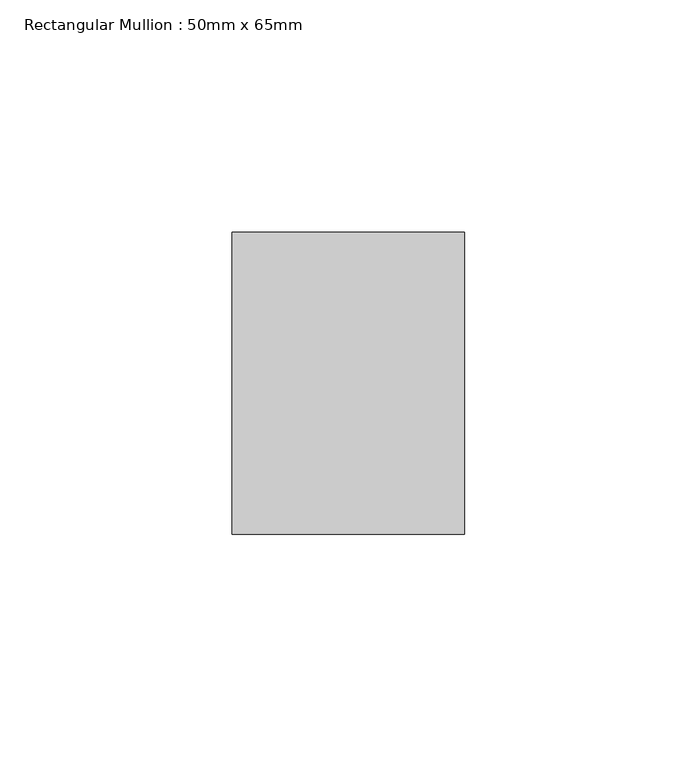
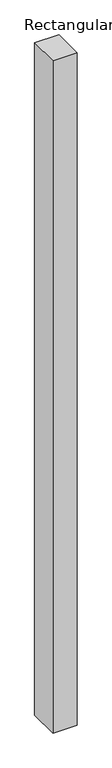
"""IFC4 building model written with IfcOpenShell, lengths in millimetres: member geometry, Rectangular Mullion : 50mm x 65mm."""

import ifcopenshell
import ifcopenshell.guid

model = None  # the IFC model being written
_history = None  # IfcOwnerHistory: only IFC2X3 demands one
_inside = {}  # id of a spatial element -> (the spatial element, [elements in it])
_under = {}  # id of a project, library or spatial element -> (it, [spatial elements below it])
_declared = {}  # id of a project -> (the project, [libraries it declares])
_typed = {}  # id of a type object -> (the type object, [elements of that type])
_made_of = {}  # id of a material, layer set ... -> (it, [elements and type objects made of it])


def new_model(schema):
    """Start an empty IFC model of exactly this schema.

    Asked for "IFC4X3", IfcOpenShell would pick the latest addendum, in which some entities
    have other attributes; the version numbers below select the first issue.
    IFC2X3 requires an IfcOwnerHistory on every rooted entity: one is made here for all.
    """
    global model, _history
    if schema == "IFC4X3":
        model = ifcopenshell.file(schema_version=(4, 3, 0, 0))
    else:
        model = ifcopenshell.file(schema=schema)
    _inside.clear()
    _under.clear()
    _declared.clear()
    _typed.clear()
    _made_of.clear()
    _history = None
    if model.schema == "IFC2X3":
        org = make("IfcOrganization", Name="unknown")
        user = make(
            "IfcPersonAndOrganization",
            ThePerson=make("IfcPerson", FamilyName="unknown"),
            TheOrganization=org,
        )
        app = make(
            "IfcApplication",
            ApplicationDeveloper=org,
            Version="unknown",
            ApplicationFullName="unknown",
            ApplicationIdentifier="unknown",
        )
        _history = make(
            "IfcOwnerHistory",
            OwningUser=user,
            OwningApplication=app,
            ChangeAction="ADDED",
            CreationDate=0,
        )
    return model


def make(cls, **values):
    """One entity of the class cls with the attributes given. An attribute that is None is left unset."""
    return model.create_entity(
        cls, **{name: value for name, value in values.items() if value is not None}
    )


def rooted(cls, **values):
    """An entity with a GlobalId (a new one), such as an element, a storey or a relation."""
    return make(cls, GlobalId=ifcopenshell.guid.new(), OwnerHistory=_history, **values)


def si_unit(unit_type, name, prefix=None):
    """IfcSIUnit, for example si_unit("LENGTHUNIT", "METRE", prefix="MILLI")."""
    return make("IfcSIUnit", UnitType=unit_type, Prefix=prefix, Name=name)


def assignment(units):
    """IfcUnitAssignment: the units of a project."""
    return None if units is None else make("IfcUnitAssignment", Units=units)


def point(xyz):
    """IfcCartesianPoint."""
    return None if xyz is None else make("IfcCartesianPoint", Coordinates=xyz)


def direction(xyz):
    """IfcDirection."""
    return None if xyz is None else make("IfcDirection", DirectionRatios=xyz)


def frame(location, z_axis=None, x_axis=None):
    """IfcAxis2Placement3D, a coordinate frame: its origin and axes. An axis left out is left unset."""
    return make(
        "IfcAxis2Placement3D",
        Location=point(location),
        Axis=direction(z_axis),
        RefDirection=direction(x_axis),
    )


def origin():
    """The frame at (0, 0, 0) with its axes left unset."""
    return frame((0.0, 0.0, 0.0))


def place(relative_to, where):
    """IfcLocalPlacement: puts the frame where relative to a parent placement (None: the world)."""
    return make(
        "IfcLocalPlacement", PlacementRelTo=relative_to, RelativePlacement=where
    )


def context(
    kind, dimensions, precision=None, world=None, true_north=None, identifier=None
):
    """IfcGeometricRepresentationContext, for example the 3D "Model" context."""
    return make(
        "IfcGeometricRepresentationContext",
        ContextIdentifier=identifier,
        ContextType=kind,
        CoordinateSpaceDimension=dimensions,
        Precision=precision,
        WorldCoordinateSystem=world,
        TrueNorth=true_north,
    )


def project(units=None, contexts=None):
    """IfcProject with its units and contexts."""
    return rooted(
        "IfcProject",
        Name="project",
        RepresentationContexts=contexts,
        UnitsInContext=assignment(units),
    )


def spatial(cls, under=None, at=None, **own):
    """A site, building, storey or space (cls), placed at a placement, below another one or the project."""
    s = rooted(cls, ObjectPlacement=at, **own)
    if under is not None:
        _under.setdefault(under.id(), (under, []))[1].append(s)
    return s


def polyline(points):
    """IfcPolyline through the points."""
    return make("IfcPolyline", Points=[point(p) for p in points])


def outline(outer, holes=None, kind="AREA"):
    """IfcArbitraryClosedProfileDef: a profile drawn as a closed curve; with holes, ...WithVoids."""
    if holes is None:
        return make("IfcArbitraryClosedProfileDef", ProfileType=kind, OuterCurve=outer)
    return make(
        "IfcArbitraryProfileDefWithVoids",
        ProfileType=kind,
        OuterCurve=outer,
        InnerCurves=holes,
    )


def extrude(swept, where, along, depth):
    """IfcExtrudedAreaSolid: the profile swept, set in the frame where, extruded along a direction by depth."""
    return make(
        "IfcExtrudedAreaSolid",
        SweptArea=swept,
        Position=where,
        ExtrudedDirection=direction(along),
        Depth=depth,
    )


def shape(context_of_items, identifier, shape_type, items):
    """IfcShapeRepresentation: the items that make up one representation, for example the "Body"."""
    return make(
        "IfcShapeRepresentation",
        ContextOfItems=context_of_items,
        RepresentationIdentifier=identifier,
        RepresentationType=shape_type,
        Items=items,
    )


def source(mapping_origin, context_of_items, identifier, shape_type, items):
    """IfcRepresentationMap: a shape defined once, which mapped items show again and again."""
    return make(
        "IfcRepresentationMap",
        MappingOrigin=mapping_origin,
        MappedRepresentation=shape(context_of_items, identifier, shape_type, items),
    )


def transform(
    local_origin,
    x_axis=None,
    y_axis=None,
    z_axis=None,
    scale=None,
    scale2=None,
    scale3=None,
    uniform=True,
):
    """IfcCartesianTransformationOperator3D, or its non-uniform kind. x_axis, y_axis, z_axis: its Axis1, 2, 3."""
    if uniform:
        return make(
            "IfcCartesianTransformationOperator3D",
            Axis1=direction(x_axis),
            Axis2=direction(y_axis),
            LocalOrigin=point(local_origin),
            Scale=scale,
            Axis3=direction(z_axis),
        )
    return make(
        "IfcCartesianTransformationOperator3DnonUniform",
        Axis1=direction(x_axis),
        Axis2=direction(y_axis),
        LocalOrigin=point(local_origin),
        Scale=scale,
        Axis3=direction(z_axis),
        Scale2=scale2,
        Scale3=scale3,
    )


def mapped(mapping_source, mapping_target):
    """IfcMappedItem: shows the shape of a source again, moved by a transform."""
    return make(
        "IfcMappedItem", MappingSource=mapping_source, MappingTarget=mapping_target
    )


def made_of(thing, what):
    """Note that an element or type object is made of a material, layer set ...; save() writes the relation."""
    if what is not None:
        _made_of.setdefault(what.id(), (what, []))[1].append(thing)
    return thing


def element(
    cls,
    number,
    at=None,
    inside=None,
    cuts=None,
    type_object=None,
    material=None,
    context=None,
    identifier="Body",
    shape_type=None,
    held_by="IfcProductDefinitionShape",
    body=None,
    shapes=None,
    **own,
):
    """One element of the class cls, such as IfcWall. Its Tag is "e" and its number.

    at: its placement. inside: the storey or other place that contains it. cuts: it is an
    opening in that element (IfcRelVoidsElement). A single representation is given by context,
    identifier, shape_type and body (its items); several are given by shapes. held_by: the class
    of the entity that holds the representations. save() writes the other relations.
    """
    e = rooted(cls, Tag="e%d" % number, ObjectPlacement=at, **own)
    if body is not None:
        shapes = [shape(context, identifier, shape_type, body)]
    if shapes is not None:
        e.Representation = make(held_by, Representations=shapes)
    if inside is not None:
        _inside.setdefault(inside.id(), (inside, []))[1].append(e)
    if cuts is not None:
        rooted(
            "IfcRelVoidsElement", RelatingBuildingElement=cuts, RelatedOpeningElement=e
        )
    if type_object is not None:
        _typed.setdefault(type_object.id(), (type_object, []))[1].append(e)
    return made_of(e, material)


def aggregate(whole, parts):
    """IfcRelAggregates: a whole, such as a stair, and the parts it consists of."""
    return rooted("IfcRelAggregates", RelatingObject=whole, RelatedObjects=parts)


def save(model, path):
    """Write the relations noted so far, then the file.

    IfcRelAggregates (storeys below a building ...), IfcRelContainedInSpatialStructure (elements
    in a storey), IfcRelDefinesByType, IfcRelAssociatesMaterial and IfcRelDeclares: one each for
    every whole, place, type object, material and project.
    """
    for whole, parts in _under.values():
        aggregate(whole, parts)
    for where, things in _inside.values():
        rooted(
            "IfcRelContainedInSpatialStructure",
            RelatedElements=things,
            RelatingStructure=where,
        )
    for kind, things in _typed.values():
        rooted("IfcRelDefinesByType", RelatedObjects=things, RelatingType=kind)
    for what, things in _made_of.values():
        rooted("IfcRelAssociatesMaterial", RelatedObjects=things, RelatingMaterial=what)
    for by, libraries in _declared.values():
        rooted("IfcRelDeclares", RelatingContext=by, RelatedDefinitions=libraries)
    model.write(path)


def rectangular_mullion_50mm_x_65mm_4efe87ee(model_context):
    return source(origin(), model_context, "Body", "SweptSolid", [
        extrude(outline(polyline([(25.0, 32.5), (25.0, -32.5), (-25.0, -32.5), (-25.0, 32.5), (25.0, 32.5)])), frame((0.0, 0.0, -1473.7158713), z_axis=(0.0, 0.0, 1.0), x_axis=(1.0, 0.0, 0.0)), (0.0, 0.0, 1.0), 1473.7158713),
    ])


if __name__ == "__main__":
    model = new_model("IFC4")
    model_context = context("Model", 3, world=origin())
    ifc_project = project(units=[si_unit("LENGTHUNIT", "METRE", prefix="MILLI")], contexts=[model_context])
    site = spatial("IfcSite", under=ifc_project)
    building = spatial("IfcBuilding", under=site)
    placement = place(None, origin())
    rectangular_mullion_50mm_x_65mm_shape = rectangular_mullion_50mm_x_65mm_4efe87ee(model_context)
    element("IfcMember", 1, ObjectType="Rectangular Mullion : 50mm x 65mm", at=placement, inside=building, context=model_context, shape_type="MappedRepresentation", body=[
        mapped(rectangular_mullion_50mm_x_65mm_shape, transform((0.0, 0.0, 0.0), x_axis=(1.0, 0.0, 0.0), y_axis=(0.0, 1.0, 0.0), z_axis=(0.0, 0.0, 1.0))),
    ])
    save(model, "model.ifc")
